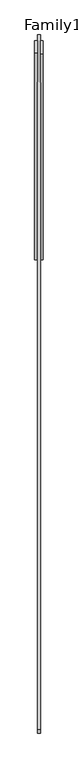
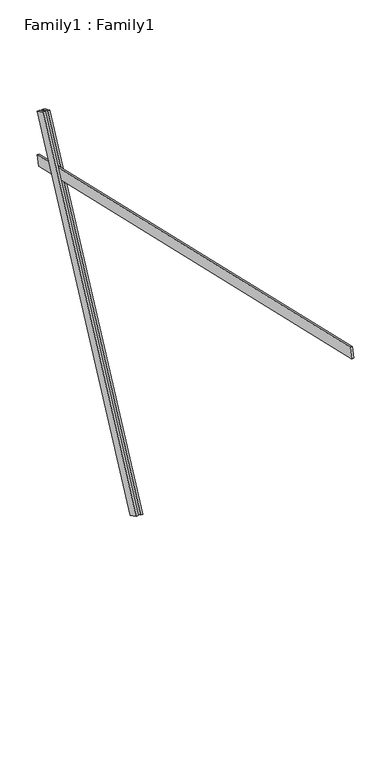
"""IFC4 building model written with IfcOpenShell, lengths in millimetres: proxy geometry, Family1 : Family1."""

from ifc_helpers import new_model, si_unit, frame, origin, place, context, project, spatial, polyline, outline, extrude, source, transform, mapped, element, save


def family1_family1_f9089bda(model_context):
    return source(origin(), model_context, "Body", "SweptSolid", [
        extrude(outline(polyline([(0.0, 0.0), (0.0, -20.0), (-100.0000001, -20.0), (-100.0000001, 0.0), (0.0, 0.0)])), frame((-30.0, 46.3241747, -22.5938096), z_axis=(0.0, 0.4383711467890692, 0.8987940462991711), x_axis=(0.0, 0.8987940462991711, -0.4383711467890692)), (0.0, 0.0, 1.0), 3300.0),
        extrude(outline(polyline([(0.0, 0.0), (0.0, -20.0), (-99.9999999, -20.0), (-99.9999999, 0.0), (0.0, 0.0)])), frame((10.0, 45.270232, -22.0797674), z_axis=(0.0, 0.4383711467890692, 0.8987940462991711), x_axis=(0.0, 0.8987940462991711, -0.4383711467890692)), (0.0, 0.0, 1.0), 3300.0),
        extrude(outline(polyline([(0.0, -20.0), (0.0, 0.0), (5000.0000001, 0.0), (5000.0000001, -20.0), (0.0, -20.0)])), frame((-10.0, -3361.6546337, 3524.7839191), z_axis=(0.0, 0.22495105434386733, 0.9743700647852348), x_axis=(0.0, 0.9743700647852348, -0.22495105434386733)), (0.0, 0.0, 1.0), 100.0),
    ])


if __name__ == "__main__":
    model = new_model("IFC4")
    model_context = context("Model", 3, world=origin())
    ifc_project = project(units=[si_unit("LENGTHUNIT", "METRE", prefix="MILLI")], contexts=[model_context])
    site = spatial("IfcSite", under=ifc_project)
    building = spatial("IfcBuilding", under=site)
    placement = place(None, origin())
    family1_family1_shape = family1_family1_f9089bda(model_context)
    element("IfcBuildingElementProxy", 1, Name="Family1 : Family1", ObjectType="Family1 : Family1", at=placement, inside=building, context=model_context, shape_type="MappedRepresentation", body=[
        mapped(family1_family1_shape, transform((0.0, 0.0, 0.0), x_axis=(1.0, 0.0, 0.0), y_axis=(0.0, 1.0, 0.0), z_axis=(0.0, 0.0, 1.0))),
    ])
    save(model, "model.ifc")
